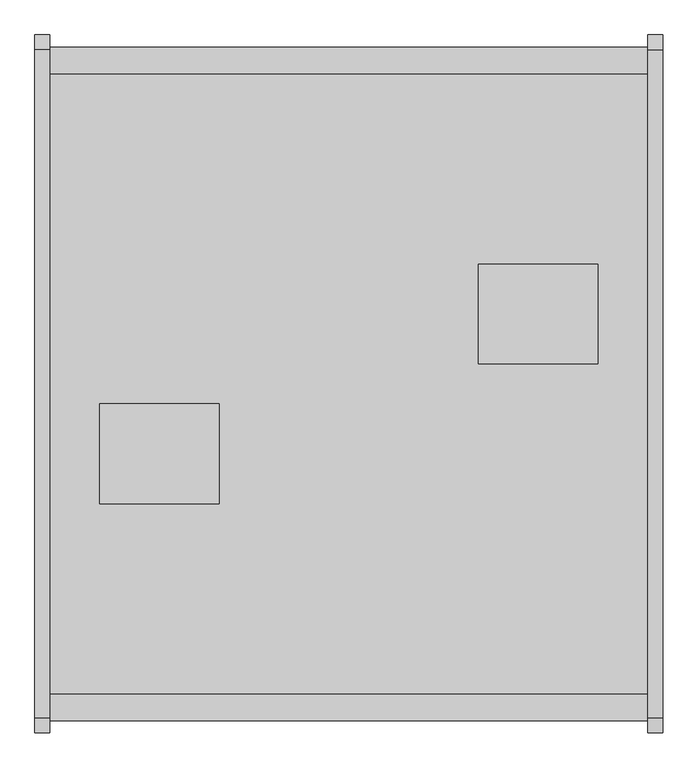
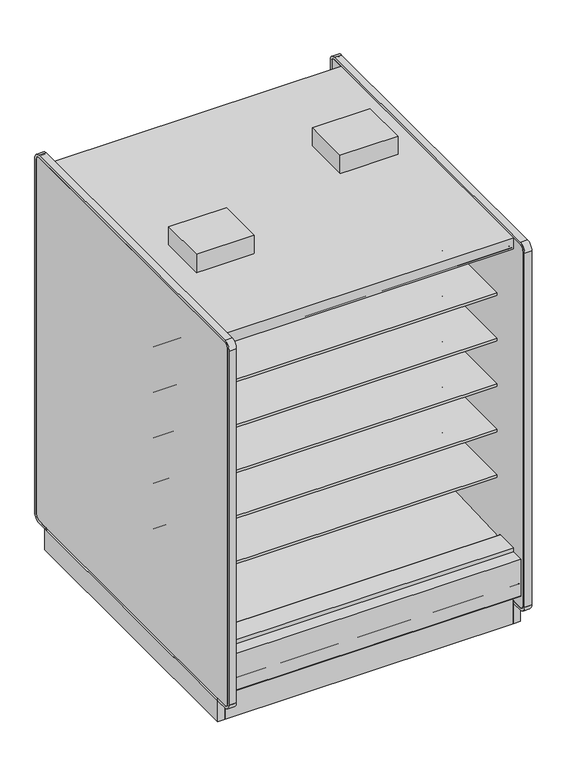
"""IFC4 building model written with IfcOpenShell, lengths in millimetres: proxy geometry."""

from ifc_helpers import new_model, si_unit, point, frame, frame_2d, origin, origin_with_axes, place, context, project, spatial, polyline, circle_curve, trimmed, segment, composite_curve, outline, extrude, faceted_brep, source, transform, mapped, element, save
from ifc_brep_helpers import plane_surface, revolved_surface, advanced_brep


def mechanical_equipment_8bff2197(model_context):
    return source(origin(), model_context, "Body", "SolidModel", [
        extrude(outline(polyline([(0.0, -76.1999999), (0.0, 0.0), (1524.0, 0.0), (1524.0, -76.1999999), (0.0, -76.1999999)])), frame((1524.0, -1111.3633008, 2065.3671599), z_axis=(0.0, 0.08686991344751496, 0.9962196635971514), x_axis=(-1.0, 0.0, 0.0)), (0.0, 0.0, 1.0), 13.3555803),
        extrude(outline(polyline([(0.0, -76.2), (0.0, 0.0), (1524.0, 0.0), (1524.0, -76.2), (0.0, -76.2)])), frame((1524.0, 288.8472236, 2059.4611282), z_axis=(0.0, -0.086869913447515, 0.9962196635971514), x_axis=(-1.0, 0.0, 0.0)), (0.0, 0.0, 1.0), 13.3555803),
        extrude(outline(polyline([(-38.1, -1158.0606273), (-38.1, 424.3593727), (0.0, 424.3593727), (0.0, -1158.0606273), (-38.1, -1158.0606273)])), origin_with_axes(), (0.0, 0.0, 1.0), 117.8306),
        extrude(outline(composite_curve([segment(polyline([(-292.5492106, 428.2688536), (291.885082, 406.4402197), (291.885082, 424.9364317)]), True, "CONTINUOUS"), segment(trimmed(circle_curve(frame_2d((293.942482, 424.9364317)), 2.0574), [point((291.885082, 424.9364317))], [point((293.942482, 426.9938317))], False, "CARTESIAN"), True, "CONTINUOUS"), segment(polyline([(293.942482, 426.9938317), (416.0514424, 426.9938317), (416.0514424, 284.5082843), (302.7767261, 189.4595117), (287.2311894, 190.0023738), (241.8789947, 157.1934642), (177.3766842, 159.4459345), (137.2934582, 192.9404113), (-344.0537782, 221.8688632), (-344.0537782, 428.2688536), (-292.5492106, 428.2688536)]), True, "CONTINUOUS")], self_intersect=False)), frame((0.0, 0.0, 0.0), z_axis=(1.0, 0.0, 0.0), x_axis=(0.0, 1.0, 0.0)), (0.0, 0.0, 1.0), 1524.0),
        extrude(outline(polyline([(392.5474807, -0.0519335), (392.5474807, 194.123201), (411.5974807, 210.1080489), (411.5974807, -0.0519335), (392.5474807, -0.0519335)])), frame((0.0, 0.0, 0.0), z_axis=(1.0, 0.0, 0.0), x_axis=(0.0, 1.0, 0.0)), (0.0, 0.0, 1.0), 1524.0),
        extrude(outline(polyline([(-1139.0106273, 0.0), (-1158.0606273, 0.0), (-1158.0606273, 210.1599825), (-1139.0106273, 194.1751345), (-1139.0106273, 0.0)])), frame((0.0, 0.0, 0.0), z_axis=(1.0, 0.0, 0.0), x_axis=(0.0, 1.0, 0.0)), (0.0, 0.0, 1.0), 1524.0),
        extrude(outline(polyline([(431.8, -424.0006273), (431.8, -678.0006273), (127.0, -678.0006273), (127.0, -424.0006273), (431.8, -424.0006273)])), frame((0.0, 0.0, 2159.2248848), z_axis=(0.0, 0.0, 1.0), x_axis=(1.0, 0.0, 0.0)), (0.0, 0.0, 1.0), 101.6),
        extrude(outline(polyline([(1092.2, -322.4006273), (1092.2, -68.4006273), (1397.0, -68.4006273), (1397.0, -322.4006273), (1092.2, -322.4006273)])), frame((0.0, 0.0, 2159.2248848), z_axis=(0.0, 0.0, 1.0), x_axis=(1.0, 0.0, 0.0)), (0.0, 0.0, 1.0), 101.6),
        extrude(outline(polyline([(1562.1, 424.3593727), (1562.1, -1158.0606273), (1524.0, -1158.0606273), (1524.0, 424.3593727), (1562.1, 424.3593727)])), origin_with_axes(), (0.0, 0.0, 1.0), 117.8306),
        extrude(outline(composite_curve([segment(polyline([(-292.5492106, 1659.986997), (-292.5492106, 1760.7972725), (266.2507894, 1760.7972725), (266.2507894, 1747.3035225), (145.7947875, 1747.3035225), (145.7947875, 1743.0191961), (-193.6128858, 1710.408706)]), True, "CONTINUOUS"), segment(trimmed(circle_curve(frame_2d((-186.7598764, 1647.2795822)), 63.5), [point((-193.6128858, 1710.408706))], [point((-226.8243495, 1696.545067))], True, "CARTESIAN"), True, "CONTINUOUS"), segment(polyline([(-226.8243495, 1696.545067), (-265.0460501, 1665.4617985)]), True, "CONTINUOUS"), segment(trimmed(circle_curve(frame_2d((-280.9533727, 1684.8267077)), 25.0607786), [point((-265.0460501, 1665.4617985))], [point((-281.4413184, 1659.7706798))], False, "CARTESIAN"), True, "CONTINUOUS"), segment(polyline([(-281.4413184, 1659.7706798), (-292.5492106, 1659.986997)]), True, "CONTINUOUS")], self_intersect=False)), frame((0.0, 0.0, 0.0), z_axis=(1.0, 0.0, 0.0), x_axis=(0.0, 1.0, 0.0)), (0.0, 0.0, 1.0), 1524.0),
        extrude(outline(composite_curve([segment(polyline([(-292.5492106, 643.986997), (-292.5492106, 744.7972725), (266.2507894, 744.7972725), (266.2507894, 731.3035225), (145.7947875, 731.3035225), (145.7947875, 727.0191961), (-193.6128858, 694.408706)]), True, "CONTINUOUS"), segment(trimmed(circle_curve(frame_2d((-186.7598764, 631.2795822)), 63.5), [point((-193.6128858, 694.408706))], [point((-226.8243495, 680.545067))], True, "CARTESIAN"), True, "CONTINUOUS"), segment(polyline([(-226.8243495, 680.545067), (-265.0460501, 649.4617985)]), True, "CONTINUOUS"), segment(trimmed(circle_curve(frame_2d((-280.9533727, 668.8267077)), 25.0607786), [point((-265.0460501, 649.4617985))], [point((-281.4413184, 643.7706798))], False, "CARTESIAN"), True, "CONTINUOUS"), segment(polyline([(-281.4413184, 643.7706798), (-292.5492106, 643.986997)]), True, "CONTINUOUS")], self_intersect=False)), frame((0.0, 0.0, 0.0), z_axis=(1.0, 0.0, 0.0), x_axis=(0.0, 1.0, 0.0)), (0.0, 0.0, 1.0), 1524.0),
        extrude(outline(composite_curve([segment(polyline([(-292.5492106, 897.986997), (-292.5492106, 998.7972725), (266.2507894, 998.7972725), (266.2507894, 985.3035225), (145.7947875, 985.3035225), (145.7947875, 981.0191961), (-193.6128858, 948.408706)]), True, "CONTINUOUS"), segment(trimmed(circle_curve(frame_2d((-186.7598764, 885.2795822)), 63.5), [point((-193.6128858, 948.408706))], [point((-226.8243495, 934.545067))], True, "CARTESIAN"), True, "CONTINUOUS"), segment(polyline([(-226.8243495, 934.545067), (-265.0460501, 903.4617985)]), True, "CONTINUOUS"), segment(trimmed(circle_curve(frame_2d((-280.9533727, 922.8267077)), 25.0607786), [point((-265.0460501, 903.4617985))], [point((-281.4413184, 897.7706798))], False, "CARTESIAN"), True, "CONTINUOUS"), segment(polyline([(-281.4413184, 897.7706798), (-292.5492106, 897.986997)]), True, "CONTINUOUS")], self_intersect=False)), frame((0.0, 0.0, 0.0), z_axis=(1.0, 0.0, 0.0), x_axis=(0.0, 1.0, 0.0)), (0.0, 0.0, 1.0), 1524.0),
        extrude(outline(composite_curve([segment(polyline([(-292.5492106, 1151.986997), (-292.5492106, 1252.7972725), (266.2507894, 1252.7972725), (266.2507894, 1239.3035225), (145.7947875, 1239.3035225), (145.7947875, 1235.0191961), (-193.6128858, 1202.408706)]), True, "CONTINUOUS"), segment(trimmed(circle_curve(frame_2d((-186.7598764, 1139.2795822)), 63.5), [point((-193.6128858, 1202.408706))], [point((-226.8243495, 1188.545067))], True, "CARTESIAN"), True, "CONTINUOUS"), segment(polyline([(-226.8243495, 1188.545067), (-265.0460501, 1157.4617985)]), True, "CONTINUOUS"), segment(trimmed(circle_curve(frame_2d((-280.9533727, 1176.8267077)), 25.0607786), [point((-265.0460501, 1157.4617985))], [point((-281.4413184, 1151.7706798))], False, "CARTESIAN"), True, "CONTINUOUS"), segment(polyline([(-281.4413184, 1151.7706798), (-292.5492106, 1151.986997)]), True, "CONTINUOUS")], self_intersect=False)), frame((0.0, 0.0, 0.0), z_axis=(1.0, 0.0, 0.0), x_axis=(0.0, 1.0, 0.0)), (0.0, 0.0, 1.0), 1524.0),
        extrude(outline(composite_curve([segment(polyline([(-292.5492106, 1405.986997), (-292.5492106, 1506.7972725), (266.2507894, 1506.7972725), (266.2507894, 1493.3035225), (145.7947875, 1493.3035225), (145.7947875, 1489.0191961), (-193.6128858, 1456.408706)]), True, "CONTINUOUS"), segment(trimmed(circle_curve(frame_2d((-186.7598764, 1393.2795822)), 63.5), [point((-193.6128858, 1456.408706))], [point((-226.8243495, 1442.545067))], True, "CARTESIAN"), True, "CONTINUOUS"), segment(polyline([(-226.8243495, 1442.545067), (-265.0460501, 1411.4617985)]), True, "CONTINUOUS"), segment(trimmed(circle_curve(frame_2d((-280.9533727, 1430.8267077)), 25.0607786), [point((-265.0460501, 1411.4617985))], [point((-281.4413184, 1405.7706798))], False, "CARTESIAN"), True, "CONTINUOUS"), segment(polyline([(-281.4413184, 1405.7706798), (-292.5492106, 1405.986997)]), True, "CONTINUOUS")], self_intersect=False)), frame((0.0, 0.0, 0.0), z_axis=(1.0, 0.0, 0.0), x_axis=(0.0, 1.0, 0.0)), (0.0, 0.0, 1.0), 1524.0),
        extrude(outline(composite_curve([segment(polyline([(-94.7483469, 2070.6501297), (-292.5492106, 2070.6501297), (-292.5492106, 428.2688536), (-344.0537782, 428.2688536), (-344.0537782, 2096.4201079), (398.3751091, 2096.4201079), (398.3751091, 2092.4645258)]), True, "CONTINUOUS"), segment(trimmed(circle_curve(frame_2d((395.8351091, 2092.4645258)), 2.54), [point((398.3751091, 2092.4645258))], [point((395.8351091, 2089.9245258))], False, "CARTESIAN"), True, "CONTINUOUS"), segment(polyline([(395.8351091, 2089.9245258), (381.1085354, 2089.9245258)]), True, "CONTINUOUS"), segment(trimmed(circle_curve(frame_2d((381.1085354, 2087.3845258)), 2.54), [point((381.1085354, 2089.9245258))], [point((378.5685354, 2087.3845258))], True, "CARTESIAN"), True, "CONTINUOUS"), segment(polyline([(378.5685354, 2087.3845258), (378.5685354, 2074.4415989)]), True, "CONTINUOUS"), segment(trimmed(circle_curve(frame_2d((376.0285354, 2074.4415989)), 2.54), [point((378.5685354, 2074.4415989))], [point((376.0285354, 2071.9015989))], False, "CARTESIAN"), True, "CONTINUOUS"), segment(polyline([(376.0285354, 2071.9015989), (367.3424655, 2071.9015989)]), True, "CONTINUOUS"), segment(trimmed(circle_curve(frame_2d((367.3424655, 2074.4415989)), 2.54), [point((367.3424655, 2071.9015989))], [point((364.8024655, 2074.4415989))], False, "CARTESIAN"), True, "CONTINUOUS"), segment(polyline([(364.8024655, 2074.4415989), (364.8024655, 2080.1715419), (286.911575, 2073.3794907), (286.9575805, 2070.6501297), (-94.7483469, 2070.6501297)]), True, "CONTINUOUS")], self_intersect=False)), frame((0.0, 0.0, 0.0), z_axis=(1.0, 0.0, 0.0), x_axis=(0.0, 1.0, 0.0)), (0.0, 0.0, 1.0), 1524.0),
        extrude(outline(composite_curve([segment(polyline([(-453.852044, 1659.1586039), (-464.9599362, 1658.9422868)]), True, "CONTINUOUS"), segment(trimmed(circle_curve(frame_2d((-465.4478819, 1683.9983146)), 25.0607786), [point((-464.9599362, 1658.9422868))], [point((-481.3552045, 1664.6334054))], False, "CARTESIAN"), True, "CONTINUOUS"), segment(polyline([(-481.3552045, 1664.6334054), (-519.5769051, 1695.716674)]), True, "CONTINUOUS"), segment(trimmed(circle_curve(frame_2d((-559.6413782, 1646.4511892)), 63.5), [point((-519.5769051, 1695.716674))], [point((-552.7883688, 1709.5803129))], True, "CARTESIAN"), True, "CONTINUOUS"), segment(polyline([(-552.7883688, 1709.5803129), (-892.1960421, 1742.190803), (-892.1960421, 1746.4751294), (-1012.652044, 1746.4751294), (-1012.652044, 1759.9688794), (-453.852044, 1759.9688794), (-453.852044, 1659.1586039)]), True, "CONTINUOUS")], self_intersect=False)), frame((0.0, 0.0, 0.0), z_axis=(1.0, 0.0, 0.0), x_axis=(0.0, 1.0, 0.0)), (0.0, 0.0, 1.0), 1524.0),
        extrude(outline(composite_curve([segment(polyline([(-453.852044, 643.1586039), (-464.9599362, 642.9422868)]), True, "CONTINUOUS"), segment(trimmed(circle_curve(frame_2d((-465.4478819, 667.9983146)), 25.0607786), [point((-464.9599362, 642.9422868))], [point((-481.3552045, 648.6334054))], False, "CARTESIAN"), True, "CONTINUOUS"), segment(polyline([(-481.3552045, 648.6334054), (-519.5769051, 679.716674)]), True, "CONTINUOUS"), segment(trimmed(circle_curve(frame_2d((-559.6413782, 630.4511892)), 63.5), [point((-519.5769051, 679.716674))], [point((-552.7883688, 693.5803129))], True, "CARTESIAN"), True, "CONTINUOUS"), segment(polyline([(-552.7883688, 693.5803129), (-892.1960421, 726.190803), (-892.1960421, 730.4751294), (-1012.652044, 730.4751294), (-1012.652044, 743.9688794), (-453.852044, 743.9688794), (-453.852044, 643.1586039)]), True, "CONTINUOUS")], self_intersect=False)), frame((0.0, 0.0, 0.0), z_axis=(1.0, 0.0, 0.0), x_axis=(0.0, 1.0, 0.0)), (0.0, 0.0, 1.0), 1524.0),
        extrude(outline(composite_curve([segment(polyline([(-453.852044, 897.1586039), (-464.9599362, 896.9422868)]), True, "CONTINUOUS"), segment(trimmed(circle_curve(frame_2d((-465.4478819, 921.9983146)), 25.0607786), [point((-464.9599362, 896.9422868))], [point((-481.3552045, 902.6334054))], False, "CARTESIAN"), True, "CONTINUOUS"), segment(polyline([(-481.3552045, 902.6334054), (-519.5769051, 933.716674)]), True, "CONTINUOUS"), segment(trimmed(circle_curve(frame_2d((-559.6413782, 884.4511892)), 63.5), [point((-519.5769051, 933.716674))], [point((-552.7883688, 947.5803129))], True, "CARTESIAN"), True, "CONTINUOUS"), segment(polyline([(-552.7883688, 947.5803129), (-892.1960421, 980.190803), (-892.1960421, 984.4751294), (-1012.652044, 984.4751294), (-1012.652044, 997.9688794), (-453.852044, 997.9688794), (-453.852044, 897.1586039)]), True, "CONTINUOUS")], self_intersect=False)), frame((0.0, 0.0, 0.0), z_axis=(1.0, 0.0, 0.0), x_axis=(0.0, 1.0, 0.0)), (0.0, 0.0, 1.0), 1524.0),
        extrude(outline(composite_curve([segment(polyline([(-453.852044, 1151.1586039), (-464.9599362, 1150.9422868)]), True, "CONTINUOUS"), segment(trimmed(circle_curve(frame_2d((-465.4478819, 1175.9983146)), 25.0607786), [point((-464.9599362, 1150.9422868))], [point((-481.3552045, 1156.6334054))], False, "CARTESIAN"), True, "CONTINUOUS"), segment(polyline([(-481.3552045, 1156.6334054), (-519.5769051, 1187.716674)]), True, "CONTINUOUS"), segment(trimmed(circle_curve(frame_2d((-559.6413782, 1138.4511892)), 63.5), [point((-519.5769051, 1187.716674))], [point((-552.7883688, 1201.5803129))], True, "CARTESIAN"), True, "CONTINUOUS"), segment(polyline([(-552.7883688, 1201.5803129), (-892.1960421, 1234.190803), (-892.1960421, 1238.4751294), (-1012.652044, 1238.4751294), (-1012.652044, 1251.9688794), (-453.852044, 1251.9688794), (-453.852044, 1151.1586039)]), True, "CONTINUOUS")], self_intersect=False)), frame((0.0, 0.0, 0.0), z_axis=(1.0, 0.0, 0.0), x_axis=(0.0, 1.0, 0.0)), (0.0, 0.0, 1.0), 1524.0),
        extrude(outline(composite_curve([segment(polyline([(-453.852044, 1405.1586039), (-464.9599362, 1404.9422868)]), True, "CONTINUOUS"), segment(trimmed(circle_curve(frame_2d((-465.4478819, 1429.9983146)), 25.0607786), [point((-464.9599362, 1404.9422868))], [point((-481.3552045, 1410.6334054))], False, "CARTESIAN"), True, "CONTINUOUS"), segment(polyline([(-481.3552045, 1410.6334054), (-519.5769051, 1441.716674)]), True, "CONTINUOUS"), segment(trimmed(circle_curve(frame_2d((-559.6413782, 1392.4511892)), 63.5), [point((-519.5769051, 1441.716674))], [point((-552.7883688, 1455.5803129))], True, "CARTESIAN"), True, "CONTINUOUS"), segment(polyline([(-552.7883688, 1455.5803129), (-892.1960421, 1488.190803), (-892.1960421, 1492.4751294), (-1012.652044, 1492.4751294), (-1012.652044, 1505.9688794), (-453.852044, 1505.9688794), (-453.852044, 1405.1586039)]), True, "CONTINUOUS")], self_intersect=False)), frame((0.0, 0.0, 0.0), z_axis=(1.0, 0.0, 0.0), x_axis=(0.0, 1.0, 0.0)), (0.0, 0.0, 1.0), 1524.0),
        extrude(outline(composite_curve([segment(trimmed(circle_curve(frame_2d((-1224.1006273, 201.3982889)), 6.35), [point((-1220.9264382, 195.8985595))], [point((-1230.4506273, 201.3982889))], False, "CARTESIAN"), True, "CONTINUOUS"), segment(polyline([(-1230.4506273, 201.3982889), (-1230.4506273, 404.6728), (-1162.452697, 404.6728), (-1162.452697, 391.9982), (-1213.6612273, 391.9982), (-1213.6612273, 256.8144254), (-1173.6099725, 223.2074323), (-1220.9264382, 195.8985595)]), True, "CONTINUOUS")], self_intersect=False)), frame((0.0, 0.0, 0.0), z_axis=(1.0, 0.0, 0.0), x_axis=(0.0, 1.0, 0.0)), (0.0, 0.0, 1.0), 1524.0),
        extrude(outline(composite_curve([segment(polyline([(474.5251836, 195.8985595), (427.2087179, 223.2074323), (467.2599727, 256.8144254), (467.2599727, 391.9982), (416.0514424, 391.9982), (416.0514424, 404.6728), (484.0493727, 404.6728), (484.0493727, 201.3982889)]), True, "CONTINUOUS"), segment(trimmed(circle_curve(frame_2d((477.6993727, 201.3982889)), 6.35), [point((484.0493727, 201.3982889))], [point((474.5251836, 195.8985595))], False, "CARTESIAN"), True, "CONTINUOUS")], self_intersect=False)), frame((0.0, 0.0, 0.0), z_axis=(1.0, 0.0, 0.0), x_axis=(0.0, 1.0, 0.0)), (0.0, 0.0, 1.0), 1524.0),
        extrude(outline(polyline([(-1063.1620247, 130.5306), (-1213.6612273, 256.8144254), (-1213.6612273, 391.9982), (-1162.452697, 391.9982), (-1162.452697, 284.5082843), (-1049.1779807, 189.4595117), (-1033.632444, 190.0023738), (-988.2802493, 157.1934642), (-923.7779388, 159.4459345), (-883.6947128, 192.9404113), (-402.3474764, 221.8688632), (-402.3474764, 2096.4201079), (-1162.452697, 2096.4201079), (-1162.452697, 2159.0), (416.0514424, 2159.0), (416.0514424, 2096.4201079), (-344.0537782, 2096.4201079), (-344.0537782, 221.8688632), (137.2934582, 192.9404113), (177.3766842, 159.4459345), (241.8789947, 157.1934642), (287.2311894, 190.0023738), (302.7767261, 189.4595117), (416.0514424, 284.5082843), (416.0514424, 391.9982), (467.2599727, 391.9982), (467.2599727, 256.8144254), (316.7607701, 130.5306), (-1063.1620247, 130.5306)])), frame((0.0, 0.0, 0.0), z_axis=(1.0, 0.0, 0.0), x_axis=(0.0, 1.0, 0.0)), (0.0, 0.0, 1.0), 1524.0),
        extrude(outline(composite_curve([segment(polyline([(-639.2465773, 2071.0201079), (-1033.3525988, 2071.0201079), (-1033.3128296, 2073.3794907), (-1111.2037201, 2080.1715419), (-1111.2037201, 2074.4415989)]), True, "CONTINUOUS"), segment(trimmed(circle_curve(frame_2d((-1113.7437201, 2074.4415989)), 2.54), [point((-1111.2037201, 2074.4415989))], [point((-1113.7437201, 2071.9015989))], False, "CARTESIAN"), True, "CONTINUOUS"), segment(polyline([(-1113.7437201, 2071.9015989), (-1122.42979, 2071.9015989)]), True, "CONTINUOUS"), segment(trimmed(circle_curve(frame_2d((-1122.42979, 2074.4415989)), 2.54), [point((-1122.42979, 2071.9015989))], [point((-1124.96979, 2074.4415989))], False, "CARTESIAN"), True, "CONTINUOUS"), segment(polyline([(-1124.96979, 2074.4415989), (-1124.96979, 2087.3845258)]), True, "CONTINUOUS"), segment(trimmed(circle_curve(frame_2d((-1127.50979, 2087.3845258)), 2.54), [point((-1124.96979, 2087.3845258))], [point((-1127.50979, 2089.9245258))], True, "CARTESIAN"), True, "CONTINUOUS"), segment(polyline([(-1127.50979, 2089.9245258), (-1142.2363637, 2089.9245258)]), True, "CONTINUOUS"), segment(trimmed(circle_curve(frame_2d((-1142.2363637, 2092.4645258)), 2.54), [point((-1142.2363637, 2089.9245258))], [point((-1144.7763637, 2092.4645258))], False, "CARTESIAN"), True, "CONTINUOUS"), segment(polyline([(-1144.7763637, 2092.4645258), (-1144.7763637, 2096.4201079), (-402.3474764, 2096.4201079), (-402.3474764, 428.2688536), (-453.852044, 428.2688536), (-453.852044, 2071.0201079), (-639.2465773, 2071.0201079)]), True, "CONTINUOUS")], self_intersect=False)), frame((0.0, 0.0, 0.0), z_axis=(1.0, 0.0, 0.0), x_axis=(0.0, 1.0, 0.0)), (0.0, 0.0, 1.0), 1524.0),
        extrude(outline(polyline([(0.0, 424.3593727), (0.0, -1139.0106273), (-38.1, -1139.0106273), (-38.1, 424.3593727), (0.0, 424.3593727)])), origin_with_axes(), (0.0, 0.0, 1.0), 117.8306),
        advanced_brep(
        [(1524.0, -995.5006273, 0.0), (1524.0, -918.6839153, 0.0), (1524.0, -918.6839153, 74.8810382), (1524.0, 173.3438727, 74.8810382), (1524.0, 173.3438727, 0.0), (1524.0, 220.8672286, 0.0), (1524.0, 220.8672286, 130.5306), (1524.0, -995.5006273, 130.5306), (0.0, -995.5006273, 0.0), (0.0, -995.5006273, 130.5306), (0.0, 220.8672286, 130.5306), (0.0, 220.8672286, 0.0), (0.0, 173.3438727, 0.0), (0.0, 173.3438727, 74.8810382), (0.0, -918.6839153, 74.8810382), (0.0, -918.6839153, 0.0), (714.3826367, -918.6839153, 0.0), (711.2, -936.3821273, 0.0), (812.8, -936.3821273, 0.0), (809.6173633, -918.6839153, 0.0), (1257.0239057, -918.6839153, 0.0), (1252.5375, -939.5571273, 0.0), (1354.1375, -939.5571273, 0.0), (1349.6510943, -918.6839153, 0.0), (1349.6510943, -918.6839153, 74.8810382), (714.3826367, -918.6839153, 74.8810382), (809.6173633, -918.6839153, 74.8810382), (1257.0239057, -918.6839153, 74.8810382), (173.8851053, 173.3438727, 74.8810382), (267.4398947, 173.3438727, 74.8810382), (714.0015601, 173.3438727, 74.8810382), (809.9984399, 173.3438727, 74.8810382), (711.2, -936.3821273, 127.0), (812.8, -936.3821273, 127.0), (1252.5375, -939.5571273, 127.0), (1354.1375, -939.5571273, 127.0), (809.9984399, 173.3438727, 0.0), (173.8851053, 173.3438727, 0.0), (267.4398947, 173.3438727, 0.0), (714.0015601, 173.3438727, 0.0), (812.8, 189.9808727, 0.0), (802.3320346, 220.8672286, 0.0), (178.0864416, 220.8672286, 0.0), (169.8625, 193.1558727, 0.0), (271.4625, 193.1558727, 0.0), (263.2385584, 220.8672286, 0.0), (721.6679654, 220.8672286, 0.0), (711.2, 189.9808727, 0.0), (802.3320346, 220.8672286, 127.0), (721.6679654, 220.8672286, 127.0), (263.2385584, 220.8672286, 127.0), (178.0864416, 220.8672286, 127.0), (271.4625, 193.1558727, 127.0), (169.8625, 193.1558727, 127.0), (812.8, 189.9808727, 127.0), (711.2, 189.9808727, 127.0)],
        [
            (0, 1),
            (1, 2),
            (2, 3),
            (3, 4),
            (4, 5),
            (5, 6),
            (6, 7),
            (7, 0),
            (8, 9),
            (9, 10),
            (10, 11),
            (11, 12),
            (12, 13),
            (13, 14),
            (14, 15),
            (15, 8),
            (6, 10),
            (9, 7),
            (8, 0),
            (15, 16),
            (16, 17, circle_curve(frame((762.0, -936.3821273, 0.0), z_axis=(0.0, 0.0, 1.0), x_axis=(1.0, 0.0, 0.0)), 50.8)),
            (17, 18, circle_curve(frame((762.0, -936.3821273, 0.0), z_axis=(0.0, 0.0, 1.0), x_axis=(1.0, 0.0, 0.0)), 50.8)),
            (18, 19, circle_curve(frame((762.0, -936.3821273, 0.0), z_axis=(0.0, 0.0, 1.0), x_axis=(1.0, 0.0, 0.0)), 50.8)),
            (19, 20),
            (20, 21, circle_curve(frame((1303.3375, -939.5571273, 0.0), z_axis=(0.0, 0.0, 1.0), x_axis=(1.0, 0.0, 0.0)), 50.8)),
            (21, 22, circle_curve(frame((1303.3375, -939.5571273, 0.0), z_axis=(0.0, 0.0, 1.0), x_axis=(1.0, 0.0, 0.0)), 50.8)),
            (22, 23, circle_curve(frame((1303.3375, -939.5571273, 0.0), z_axis=(0.0, 0.0, 1.0), x_axis=(1.0, 0.0, 0.0)), 50.8)),
            (23, 1),
            (23, 24),
            (24, 2),
            (14, 25),
            (25, 16),
            (19, 26),
            (26, 27),
            (27, 20),
            (24, 27, circle_curve(frame((1303.3375, -939.5571273, 74.8810382), z_axis=(0.0, 0.0, 1.0), x_axis=(1.0, 0.0, 0.0)), 50.8)),
            (26, 25, circle_curve(frame((762.0, -936.3821273, 74.8810382), z_axis=(0.0, 0.0, 1.0), x_axis=(1.0, 0.0, 0.0)), 50.8)),
            (13, 28),
            (28, 29, circle_curve(frame((220.6625, 193.1558727, 74.8810382), z_axis=(0.0, 0.0, 1.0), x_axis=(-1.0, 0.0, 0.0)), 50.8)),
            (29, 30),
            (30, 31, circle_curve(frame((762.0, 189.9808727, 74.8810382), z_axis=(0.0, 0.0, 1.0), x_axis=(1.0, 0.0, 0.0)), 50.8)),
            (31, 3),
            (32, 33, circle_curve(frame((762.0, -936.3821273, 127.0), z_axis=(0.0, 0.0, -1.0), x_axis=(1.0, 0.0, 0.0)), 50.8)),
            (33, 32, circle_curve(frame((762.0, -936.3821273, 127.0), z_axis=(0.0, 0.0, -1.0), x_axis=(1.0, 0.0, 0.0)), 50.8)),
            (33, 18),
            (17, 32),
            (34, 35, circle_curve(frame((1303.3375, -939.5571273, 127.0), z_axis=(0.0, 0.0, -1.0), x_axis=(1.0, 0.0, 0.0)), 50.8)),
            (35, 34, circle_curve(frame((1303.3375, -939.5571273, 127.0), z_axis=(0.0, 0.0, -1.0), x_axis=(1.0, 0.0, 0.0)), 50.8)),
            (35, 22),
            (21, 34),
            (31, 36),
            (36, 4),
            (12, 37),
            (37, 28),
            (29, 38),
            (38, 39),
            (39, 30),
            (36, 40, circle_curve(frame((762.0, 189.9808727, 0.0), z_axis=(0.0, 0.0, 1.0), x_axis=(1.0, 0.0, 0.0)), 50.8)),
            (40, 41, circle_curve(frame((762.0, 189.9808727, 0.0), z_axis=(0.0, 0.0, 1.0), x_axis=(1.0, 0.0, 0.0)), 50.8)),
            (41, 5),
            (11, 42),
            (42, 43, circle_curve(frame((220.6625, 193.1558727, 0.0), z_axis=(0.0, 0.0, 1.0), x_axis=(-1.0, 0.0, 0.0)), 50.8)),
            (43, 37, circle_curve(frame((220.6625, 193.1558727, 0.0), z_axis=(0.0, 0.0, 1.0), x_axis=(-1.0, 0.0, 0.0)), 50.8)),
            (44, 45, circle_curve(frame((220.6625, 193.1558727, 0.0), z_axis=(0.0, 0.0, 1.0), x_axis=(-1.0, 0.0, 0.0)), 50.8)),
            (45, 46),
            (46, 47, circle_curve(frame((762.0, 189.9808727, 0.0), z_axis=(0.0, 0.0, 1.0), x_axis=(1.0, 0.0, 0.0)), 50.8)),
            (47, 39, circle_curve(frame((762.0, 189.9808727, 0.0), z_axis=(0.0, 0.0, 1.0), x_axis=(1.0, 0.0, 0.0)), 50.8)),
            (38, 44, circle_curve(frame((220.6625, 193.1558727, 0.0), z_axis=(0.0, 0.0, 1.0), x_axis=(-1.0, 0.0, 0.0)), 50.8)),
            (41, 48),
            (48, 49),
            (49, 46),
            (45, 50),
            (50, 51),
            (51, 42),
            (52, 53, circle_curve(frame((220.6625, 193.1558727, 127.0), z_axis=(0.0, 0.0, -1.0), x_axis=(-1.0, 0.0, 0.0)), 50.8)),
            (53, 51, circle_curve(frame((220.6625, 193.1558727, 127.0), z_axis=(0.0, 0.0, -1.0), x_axis=(-1.0, 0.0, 0.0)), 50.8)),
            (50, 52, circle_curve(frame((220.6625, 193.1558727, 127.0), z_axis=(0.0, 0.0, -1.0), x_axis=(-1.0, 0.0, 0.0)), 50.8)),
            (44, 52),
            (53, 43),
            (54, 55, circle_curve(frame((762.0, 189.9808727, 127.0), z_axis=(0.0, 0.0, -1.0), x_axis=(1.0, 0.0, 0.0)), 50.8)),
            (55, 49, circle_curve(frame((762.0, 189.9808727, 127.0), z_axis=(0.0, 0.0, -1.0), x_axis=(1.0, 0.0, 0.0)), 50.8)),
            (48, 54, circle_curve(frame((762.0, 189.9808727, 127.0), z_axis=(0.0, 0.0, -1.0), x_axis=(1.0, 0.0, 0.0)), 50.8)),
            (40, 54),
            (55, 47),
        ],
        [
            plane_surface(frame((1524.0, -921.3326273, 0.0), z_axis=(1.0, 0.0, 0.0), x_axis=(0.0, 1.0, 0.0))),
            plane_surface(frame((0.0, -921.3326273, 0.0), z_axis=(-1.0, 0.0, 0.0), x_axis=(0.0, -1.0, 0.0))),
            plane_surface(frame((1524.0, 220.8672286, 130.5306), z_axis=(0.0, 0.0, 1.0), x_axis=(-1.0, 0.0, 0.0))),
            plane_surface(frame((1524.0, -995.5006273, 130.5306), z_axis=(0.0, -1.0, 0.0), x_axis=(-1.0, 0.0, 0.0))),
            plane_surface(frame((1524.0, -995.5006273, 0.0), z_axis=(0.0, 0.0, -1.0), x_axis=(-1.0, 0.0, 0.0))),
            plane_surface(frame((1524.0, -918.6839153, 0.0), z_axis=(0.0, 1.0, 0.0), x_axis=(-1.0, 0.0, 0.0))),
            plane_surface(frame((1524.0, -918.6839153, 74.8810382), z_axis=(0.0, 0.0, -1.0), x_axis=(-1.0, 0.0, 0.0))),
            plane_surface(frame((812.8, -936.3821273, 127.0), z_axis=(0.0, 0.0, -1.0), x_axis=(0.0, 1.0, 0.0))),
            revolved_surface(polyline([(812.8, -936.3821273, 127.0), (812.8, -936.3821273, 0.0)]), (762.0, -936.3821273, 0.0), (0.0, 0.0, 1.0)),
            plane_surface(frame((1354.1375, -939.5571273, 127.0), z_axis=(0.0, 0.0, -1.0), x_axis=(0.0, 1.0, 0.0))),
            revolved_surface(polyline([(1354.1375, -939.5571273, 127.0), (1354.1375, -939.5571273, 0.0)]), (1303.3375, -939.5571273, 0.0), (0.0, 0.0, 1.0)),
            plane_surface(frame((1524.0, 173.3438727, 74.8810382), z_axis=(0.0, -1.0, 0.0), x_axis=(-1.0, 0.0, 0.0))),
            plane_surface(frame((1524.0, 173.3438727, 0.0), z_axis=(0.0, 0.0, -1.0), x_axis=(-1.0, 0.0, 0.0))),
            plane_surface(frame((1524.0, 220.8672286, 0.0), z_axis=(0.0, 1.0, 0.0), x_axis=(-1.0, 0.0, 0.0))),
            plane_surface(frame((169.8625, 193.1558727, 127.0), z_axis=(0.0, 0.0, -1.0), x_axis=(0.0, -1.0, 0.0))),
            revolved_surface(polyline([(169.8625, 193.1558727, 127.0), (169.8625, 193.1558727, 0.0)]), (220.6625, 193.1558727, 0.0), (0.0, 0.0, 1.0)),
            plane_surface(frame((812.8, 189.9808727, 127.0), z_axis=(0.0, 0.0, -1.0), x_axis=(0.0, 1.0, 0.0))),
            revolved_surface(polyline([(812.8, 189.9808727, 127.0), (812.8, 189.9808727, 0.0)]), (762.0, 189.9808727, 0.0), (0.0, 0.0, 1.0)),
        ],
        [
            (0, [[1, 2, 3, 4, 5, 6, 7, 8]]),
            (1, [[9, 10, 11, 12, 13, 14, 15, 16]]),
            (2, [[-7, 17, -10, 18]]),
            (3, [[-8, -18, -9, 19]]),
            (4, [[-1, -19, -16, 20, 21, 22, 23, 24, 25, 26, 27, 28]]),
            (5, [[-2, -28, 29, 30]]),
            (5, [[-15, 31, 32, -20]]),
            (5, [[33, 34, 35, -24]]),
            (6, [[-3, -30, 36, -34, 37, -31, -14, 38, 39, 40, 41, 42]]),
            (7, [[43, 44]]),
            (8, [[-44, 45, -22, 46]]),
            (8, [[-43, -46, -21, -32, -37, -33, -23, -45]]),
            (9, [[47, 48]]),
            (10, [[-48, 49, -26, 50]]),
            (10, [[-47, -50, -25, -35, -36, -29, -27, -49]]),
            (11, [[-4, -42, 51, 52]]),
            (11, [[-13, 53, 54, -38]]),
            (11, [[55, 56, 57, -40]]),
            (12, [[-5, -52, 58, 59, 60]]),
            (12, [[-12, 61, 62, 63, -53]]),
            (12, [[64, 65, 66, 67, -56, 68]]),
            (13, [[-6, -60, 69, 70, 71, -65, 72, 73, 74, -61, -11, -17]]),
            (14, [[75, 76, -73, 77]]),
            (15, [[78, -77, -72, -64]]),
            (15, [[79, -62, -74, -76]]),
            (15, [[-75, -78, -68, -55, -39, -54, -63, -79]]),
            (16, [[80, 81, -70, 82]]),
            (17, [[83, -82, -69, -59]]),
            (17, [[84, -66, -71, -81]]),
            (17, [[-80, -83, -58, -51, -41, -57, -67, -84]]),
        ],
    ),
        extrude(outline(composite_curve([segment(polyline([(-453.852044, 428.2688536), (-402.3474764, 428.2688536), (-402.3474764, 221.8688632), (-883.6947128, 192.9404113), (-923.7779388, 159.4459345), (-988.2802493, 157.1934642), (-1033.632444, 190.0023738), (-1049.1779807, 189.4595117), (-1162.452697, 284.5082843), (-1162.452697, 426.9938317), (-1040.3437366, 426.9938317)]), True, "CONTINUOUS"), segment(trimmed(circle_curve(frame_2d((-1040.3437366, 424.9364317)), 2.0574), [point((-1040.3437366, 426.9938317))], [point((-1038.2863366, 424.9364317))], False, "CARTESIAN"), True, "CONTINUOUS"), segment(polyline([(-1038.2863366, 424.9364317), (-1038.2863366, 406.4402197), (-453.852044, 428.2688536)]), True, "CONTINUOUS")], self_intersect=False)), frame((0.0, 0.0, 0.0), z_axis=(1.0, 0.0, 0.0), x_axis=(0.0, 1.0, 0.0)), (0.0, 0.0, 1.0), 1524.0),
        extrude(outline(composite_curve([segment(polyline([(-1170.7606273, 117.8306), (-1224.093772, 117.8306)]), True, "CONTINUOUS"), segment(trimmed(circle_curve(frame_2d((-1224.093772, 155.9306)), 38.1), [point((-1224.093772, 117.8306))], [point((-1262.193772, 155.9306))], False, "CARTESIAN"), True, "CONTINUOUS"), segment(polyline([(-1262.193772, 155.9306), (-1262.193772, 2133.6)]), True, "CONTINUOUS"), segment(trimmed(circle_curve(frame_2d((-1224.093772, 2133.6)), 38.1), [point((-1262.193772, 2133.6))], [point((-1224.093772, 2171.7))], False, "CARTESIAN"), True, "CONTINUOUS"), segment(polyline([(-1224.093772, 2171.7), (477.6925174, 2171.7)]), True, "CONTINUOUS"), segment(trimmed(circle_curve(frame_2d((477.6925174, 2133.6)), 38.1), [point((477.6925174, 2171.7))], [point((515.7925174, 2133.6))], False, "CARTESIAN"), True, "CONTINUOUS"), segment(polyline([(515.7925174, 2133.6), (515.7925174, 155.9306)]), True, "CONTINUOUS"), segment(trimmed(circle_curve(frame_2d((477.6925174, 155.9306)), 38.1), [point((515.7925174, 155.9306))], [point((477.6925174, 117.8306))], False, "CARTESIAN"), True, "CONTINUOUS"), segment(polyline([(477.6925174, 117.8306), (424.3593727, 117.8306), (411.5974807, 117.8306), (411.5974807, 130.5306), (424.3593727, 130.5306), (477.6925174, 130.5306)]), True, "CONTINUOUS"), segment(trimmed(circle_curve(frame_2d((477.6925174, 155.9306)), 25.4), [point((477.6925174, 130.5306))], [point((503.0925174, 155.9306))], True, "CARTESIAN"), True, "CONTINUOUS"), segment(polyline([(503.0925174, 155.9306), (503.0925174, 2133.6)]), True, "CONTINUOUS"), segment(trimmed(circle_curve(frame_2d((477.6925174, 2133.6)), 25.4), [point((503.0925174, 2133.6))], [point((477.6925174, 2159.0))], True, "CARTESIAN"), True, "CONTINUOUS"), segment(polyline([(477.6925174, 2159.0), (-1224.093772, 2159.0)]), True, "CONTINUOUS"), segment(trimmed(circle_curve(frame_2d((-1224.093772, 2133.6)), 25.4), [point((-1224.093772, 2159.0))], [point((-1249.493772, 2133.6))], True, "CARTESIAN"), True, "CONTINUOUS"), segment(polyline([(-1249.493772, 2133.6), (-1249.493772, 155.9306)]), True, "CONTINUOUS"), segment(trimmed(circle_curve(frame_2d((-1224.093772, 155.9306)), 25.4), [point((-1249.493772, 155.9306))], [point((-1224.093772, 130.5306))], True, "CARTESIAN"), True, "CONTINUOUS"), segment(polyline([(-1224.093772, 130.5306), (-1170.7606273, 130.5306), (-1158.0606273, 130.5306), (-1158.0606273, 117.8306), (-1170.7606273, 117.8306)]), True, "CONTINUOUS")], self_intersect=False)), frame((1524.0, 0.0, 0.0), z_axis=(1.0, 0.0, 0.0), x_axis=(0.0, 1.0, 0.0)), (0.0, 0.0, 1.0), 38.1),
        extrude(outline(composite_curve([segment(polyline([(477.6925174, 130.5306), (-1224.093772, 130.5306)]), True, "CONTINUOUS"), segment(trimmed(circle_curve(frame_2d((-1224.093772, 155.9306)), 25.4), [point((-1224.093772, 130.5306))], [point((-1249.493772, 155.9306))], False, "CARTESIAN"), True, "CONTINUOUS"), segment(polyline([(-1249.493772, 155.9306), (-1249.493772, 2133.6)]), True, "CONTINUOUS"), segment(trimmed(circle_curve(frame_2d((-1224.093772, 2133.6)), 25.4), [point((-1249.493772, 2133.6))], [point((-1224.093772, 2159.0))], False, "CARTESIAN"), True, "CONTINUOUS"), segment(polyline([(-1224.093772, 2159.0), (477.6925174, 2159.0)]), True, "CONTINUOUS"), segment(trimmed(circle_curve(frame_2d((477.6925174, 2133.6)), 25.4), [point((477.6925174, 2159.0))], [point((503.0925174, 2133.6))], False, "CARTESIAN"), True, "CONTINUOUS"), segment(polyline([(503.0925174, 2133.6), (503.0925174, 155.9306)]), True, "CONTINUOUS"), segment(trimmed(circle_curve(frame_2d((477.6925174, 155.9306)), 25.4), [point((503.0925174, 155.9306))], [point((477.6925174, 130.5306))], False, "CARTESIAN"), True, "CONTINUOUS")], self_intersect=False)), frame((1524.0, 0.0, 0.0), z_axis=(1.0, 0.0, 0.0), x_axis=(0.0, 1.0, 0.0)), (0.0, 0.0, 1.0), 38.1),
        extrude(outline(composite_curve([segment(polyline([(-1224.093772, 2171.7), (477.6925174, 2171.7)]), True, "CONTINUOUS"), segment(trimmed(circle_curve(frame_2d((477.6925174, 2133.6)), 38.1), [point((477.6925174, 2171.7))], [point((515.7925174, 2133.6))], False, "CARTESIAN"), True, "CONTINUOUS"), segment(polyline([(515.7925174, 2133.6), (515.7925174, 155.9306)]), True, "CONTINUOUS"), segment(trimmed(circle_curve(frame_2d((477.6925174, 155.9306)), 38.1), [point((515.7925174, 155.9306))], [point((477.6925174, 117.8306))], False, "CARTESIAN"), True, "CONTINUOUS"), segment(polyline([(477.6925174, 117.8306), (424.3593727, 117.8306), (411.5974807, 117.8306), (411.5974807, 130.5306), (424.3593727, 130.5306), (477.6925174, 130.5306)]), True, "CONTINUOUS"), segment(trimmed(circle_curve(frame_2d((477.6925174, 155.9306)), 25.4), [point((477.6925174, 130.5306))], [point((503.0925174, 155.9306))], True, "CARTESIAN"), True, "CONTINUOUS"), segment(polyline([(503.0925174, 155.9306), (503.0925174, 2133.6)]), True, "CONTINUOUS"), segment(trimmed(circle_curve(frame_2d((477.6925174, 2133.6)), 25.4), [point((503.0925174, 2133.6))], [point((477.6925174, 2159.0))], True, "CARTESIAN"), True, "CONTINUOUS"), segment(polyline([(477.6925174, 2159.0), (-1224.093772, 2159.0)]), True, "CONTINUOUS"), segment(trimmed(circle_curve(frame_2d((-1224.093772, 2133.6)), 25.4), [point((-1224.093772, 2159.0))], [point((-1249.493772, 2133.6))], True, "CARTESIAN"), True, "CONTINUOUS"), segment(polyline([(-1249.493772, 2133.6), (-1249.493772, 155.9306)]), True, "CONTINUOUS"), segment(trimmed(circle_curve(frame_2d((-1224.093772, 155.9306)), 25.4), [point((-1249.493772, 155.9306))], [point((-1224.093772, 130.5306))], True, "CARTESIAN"), True, "CONTINUOUS"), segment(polyline([(-1224.093772, 130.5306), (-1170.7606273, 130.5306), (-1158.0606273, 130.5306), (-1158.0606273, 117.8306), (-1170.7606273, 117.8306), (-1224.093772, 117.8306)]), True, "CONTINUOUS"), segment(trimmed(circle_curve(frame_2d((-1224.093772, 155.9306)), 38.1), [point((-1224.093772, 117.8306))], [point((-1262.193772, 155.9306))], False, "CARTESIAN"), True, "CONTINUOUS"), segment(polyline([(-1262.193772, 155.9306), (-1262.193772, 2133.6)]), True, "CONTINUOUS"), segment(trimmed(circle_curve(frame_2d((-1224.093772, 2133.6)), 38.1), [point((-1262.193772, 2133.6))], [point((-1224.093772, 2171.7))], False, "CARTESIAN"), True, "CONTINUOUS")], self_intersect=False)), frame((-38.1, 0.0, 0.0), z_axis=(1.0, 0.0, 0.0), x_axis=(0.0, 1.0, 0.0)), (0.0, 0.0, 1.0), 38.1),
        extrude(outline(composite_curve([segment(polyline([(477.6925174, 130.5306), (-1224.093772, 130.5306)]), True, "CONTINUOUS"), segment(trimmed(circle_curve(frame_2d((-1224.093772, 155.9306)), 25.4), [point((-1224.093772, 130.5306))], [point((-1249.493772, 155.9306))], False, "CARTESIAN"), True, "CONTINUOUS"), segment(polyline([(-1249.493772, 155.9306), (-1249.493772, 2133.6)]), True, "CONTINUOUS"), segment(trimmed(circle_curve(frame_2d((-1224.093772, 2133.6)), 25.4), [point((-1249.493772, 2133.6))], [point((-1224.093772, 2159.0))], False, "CARTESIAN"), True, "CONTINUOUS"), segment(polyline([(-1224.093772, 2159.0), (477.6925174, 2159.0)]), True, "CONTINUOUS"), segment(trimmed(circle_curve(frame_2d((477.6925174, 2133.6)), 25.4), [point((477.6925174, 2159.0))], [point((503.0925174, 2133.6))], False, "CARTESIAN"), True, "CONTINUOUS"), segment(polyline([(503.0925174, 2133.6), (503.0925174, 155.9306)]), True, "CONTINUOUS"), segment(trimmed(circle_curve(frame_2d((477.6925174, 155.9306)), 25.4), [point((503.0925174, 155.9306))], [point((477.6925174, 130.5306))], False, "CARTESIAN"), True, "CONTINUOUS")], self_intersect=False)), frame((-38.1, 0.0, 0.0), z_axis=(1.0, 0.0, 0.0), x_axis=(0.0, 1.0, 0.0)), (0.0, 0.0, 1.0), 38.1),
        extrude(outline(composite_curve([segment(trimmed(circle_curve(frame_2d((762.0, 189.9808727)), 38.1), [point((723.9, 189.9808727))], [point((800.1, 189.9808727))], False, "CARTESIAN"), True, "CONTINUOUS"), segment(trimmed(circle_curve(frame_2d((762.0, 189.9808727)), 38.1), [point((800.1, 189.9808727))], [point((723.9, 189.9808727))], False, "CARTESIAN"), True, "CONTINUOUS")], self_intersect=False)), frame((0.0, 0.0, 61.2666507), z_axis=(0.0, 0.0, 1.0), x_axis=(1.0, 0.0, 0.0)), (0.0, 0.0, 1.0), 65.7333493),
        extrude(outline(composite_curve([segment(trimmed(circle_curve(frame_2d((762.0, -936.3821273)), 38.1), [point((723.9, -936.3821273))], [point((800.1, -936.3821273))], False, "CARTESIAN"), True, "CONTINUOUS"), segment(trimmed(circle_curve(frame_2d((762.0, -936.3821273)), 38.1), [point((800.1, -936.3821273))], [point((723.9, -936.3821273))], False, "CARTESIAN"), True, "CONTINUOUS")], self_intersect=False)), frame((0.0, 0.0, 61.2666507), z_axis=(0.0, 0.0, 1.0), x_axis=(1.0, 0.0, 0.0)), (0.0, 0.0, 1.0), 65.7333493),
        extrude(outline(composite_curve([segment(trimmed(circle_curve(frame_2d((242.6911047, 192.5203719)), 12.7), [point((229.9911047, 192.5203719))], [point((255.3911047, 192.5203719))], False, "CARTESIAN"), True, "CONTINUOUS"), segment(trimmed(circle_curve(frame_2d((242.6911047, 192.5203719)), 12.7), [point((255.3911047, 192.5203719))], [point((229.9911047, 192.5203719))], False, "CARTESIAN"), True, "CONTINUOUS")], self_intersect=False)), frame((0.0, 0.0, 61.2666507), z_axis=(0.0, 0.0, 1.0), x_axis=(1.0, 0.0, 0.0)), (0.0, 0.0, 1.0), 65.7333493),
        extrude(outline(composite_curve([segment(trimmed(circle_curve(frame_2d((191.8911047, 192.5203719)), 9.525), [point((182.3661047, 192.5203719))], [point((201.4161047, 192.5203719))], False, "CARTESIAN"), True, "CONTINUOUS"), segment(trimmed(circle_curve(frame_2d((191.8911047, 192.5203719)), 9.525), [point((201.4161047, 192.5203719))], [point((182.3661047, 192.5203719))], False, "CARTESIAN"), True, "CONTINUOUS")], self_intersect=False)), frame((0.0, 0.0, 61.2666507), z_axis=(0.0, 0.0, 1.0), x_axis=(1.0, 0.0, 0.0)), (0.0, 0.0, 1.0), 65.7333493),
        extrude(outline(composite_curve([segment(trimmed(circle_curve(frame_2d((1092.1027684, 329.7424825)), 6.35), [point((1085.7527684, 329.7424825))], [point((1098.4527684, 329.7424825))], False, "CARTESIAN"), True, "CONTINUOUS"), segment(trimmed(circle_curve(frame_2d((1092.1027684, 329.7424825)), 6.35), [point((1098.4527684, 329.7424825))], [point((1085.7527684, 329.7424825))], False, "CARTESIAN"), True, "CONTINUOUS")], self_intersect=False)), frame((0.0, 0.0, 44.45), z_axis=(0.0, 0.0, 1.0), x_axis=(1.0, 0.0, 0.0)), (0.0, 0.0, 1.0), 6.35),
        extrude(outline(composite_curve([segment(trimmed(circle_curve(frame_2d((1130.2027684, 329.7424825)), 6.35), [point((1123.8527684, 329.7424825))], [point((1136.5527684, 329.7424825))], False, "CARTESIAN"), True, "CONTINUOUS"), segment(trimmed(circle_curve(frame_2d((1130.2027684, 329.7424825)), 6.35), [point((1136.5527684, 329.7424825))], [point((1123.8527684, 329.7424825))], False, "CARTESIAN"), True, "CONTINUOUS")], self_intersect=False)), frame((0.0, 0.0, 44.45), z_axis=(0.0, 0.0, 1.0), x_axis=(1.0, 0.0, 0.0)), (0.0, 0.0, 1.0), 6.35),
        extrude(outline(composite_curve([segment(trimmed(circle_curve(frame_2d((1168.3027684, 329.7424825)), 6.35), [point((1161.9527684, 329.7424825))], [point((1174.6527684, 329.7424825))], False, "CARTESIAN"), True, "CONTINUOUS"), segment(trimmed(circle_curve(frame_2d((1168.3027684, 329.7424825)), 6.35), [point((1174.6527684, 329.7424825))], [point((1161.9527684, 329.7424825))], False, "CARTESIAN"), True, "CONTINUOUS")], self_intersect=False)), frame((0.0, 0.0, 44.45), z_axis=(0.0, 0.0, 1.0), x_axis=(1.0, 0.0, 0.0)), (0.0, 0.0, 1.0), 6.35),
        extrude(outline(composite_curve([segment(trimmed(circle_curve(frame_2d((1206.4027684, 329.7424825)), 6.35), [point((1200.0527684, 329.7424825))], [point((1212.7527684, 329.7424825))], False, "CARTESIAN"), True, "CONTINUOUS"), segment(trimmed(circle_curve(frame_2d((1206.4027684, 329.7424825)), 6.35), [point((1212.7527684, 329.7424825))], [point((1200.0527684, 329.7424825))], False, "CARTESIAN"), True, "CONTINUOUS")], self_intersect=False)), frame((0.0, 0.0, 44.45), z_axis=(0.0, 0.0, 1.0), x_axis=(1.0, 0.0, 0.0)), (0.0, 0.0, 1.0), 6.35),
        extrude(outline(composite_curve([segment(trimmed(circle_curve(frame_2d((1244.5027684, 329.7424825)), 6.35), [point((1238.1527684, 329.7424825))], [point((1250.8527684, 329.7424825))], False, "CARTESIAN"), True, "CONTINUOUS"), segment(trimmed(circle_curve(frame_2d((1244.5027684, 329.7424825)), 6.35), [point((1250.8527684, 329.7424825))], [point((1238.1527684, 329.7424825))], False, "CARTESIAN"), True, "CONTINUOUS")], self_intersect=False)), frame((0.0, 0.0, 44.45), z_axis=(0.0, 0.0, 1.0), x_axis=(1.0, 0.0, 0.0)), (0.0, 0.0, 1.0), 6.35),
        extrude(outline(polyline([(1060.3527684, 364.6674825), (1275.5379173, 364.6674825), (1275.5379173, 294.8174825), (1060.3527684, 294.8174825), (1060.3527684, 364.6674825)])), frame((0.0, 0.0, 44.45), z_axis=(0.0, 0.0, 1.0), x_axis=(1.0, 0.0, 0.0)), (0.0, 0.0, 1.0), 6.35),
        extrude(outline(polyline([(457.2, -1044.3321273), (457.2, -1108.244384), (254.0, -1108.244384), (254.0, -1044.3321273), (457.2, -1044.3321273)])), frame((0.0, 0.0, 44.45), z_axis=(0.0, 0.0, 1.0), x_axis=(1.0, 0.0, 0.0)), (0.0, 0.0, 1.0), 6.35),
        faceted_brep([(1524.0, -1139.0106273, 194.1751345), (1524.0, -1139.0106273, 0.0), (1524.0, -995.5006273, 0.0), (1524.0, -995.5006273, 130.5306), (1524.0, -1063.1620247, 130.5306), (0.0, -1139.0106273, 194.1751345), (0.0, -1063.1620247, 130.5306), (0.0, -995.5006273, 130.5306), (0.0, -995.5006273, 0.0), (0.0, -1139.0106273, 0.0), (466.3154811, -1113.7914467, 0.0), (466.3154811, -1038.8597182, 0.0), (245.6409893, -1038.8597182, 0.0), (245.6409893, -1113.7914467, 0.0), (466.3154811, -1113.7914467, 50.8), (466.3154811, -1038.8597182, 50.8), (245.6409893, -1038.8597182, 50.8), (245.6409893, -1113.7914467, 50.8)], [[[0, 1, 2, 3, 4]], [[5, 6, 7, 8, 9]], [[1, 0, 5, 9]], [[2, 1, 9, 8], [10, 11, 12, 13]], [[3, 2, 8, 7]], [[4, 3, 7, 6]], [[0, 4, 6, 5]], [[10, 14, 15, 11]], [[12, 16, 17, 13]], [[11, 15, 16, 12]], [[15, 14, 17, 16]], [[14, 10, 13, 17]]]),
        faceted_brep([(1524.0, 392.6093727, 194.1751345), (1524.0, 316.7607701, 130.5306), (1524.0, 244.1113532, 130.5306), (1524.0, 244.1113532, 0.0), (1524.0, 392.6093727, 0.0), (0.0, 392.6093727, 194.1751345), (0.0, 392.6093727, 0.0), (0.0, 244.1113532, 0.0), (0.0, 244.1113532, 130.5306), (0.0, 316.7607701, 130.5306), (1057.6845189, 367.3901921, 50.8), (1278.3590107, 367.3901921, 50.8), (1278.3590107, 292.4584636, 50.8), (1057.6845189, 292.4584636, 50.8), (1057.6845189, 292.4584636, 0.0), (1057.6845189, 367.3901921, 0.0), (1278.3590107, 292.4584636, 0.0), (1278.3590107, 367.3901921, 0.0)], [[[0, 1, 2, 3, 4]], [[5, 6, 7, 8, 9]], [[10, 11, 12, 13]], [[10, 13, 14, 15]], [[13, 12, 16, 14]], [[12, 11, 17, 16]], [[11, 10, 15, 17]], [[1, 0, 5, 9]], [[2, 1, 9, 8]], [[3, 2, 8, 7]], [[4, 3, 7, 6], [15, 14, 16, 17]], [[0, 4, 6, 5]]]),
        extrude(outline(composite_curve([segment(trimmed(circle_curve(frame_2d((1328.7375, -939.5571273)), 12.7), [point((1316.0375, -939.5571273))], [point((1341.4375, -939.5571273))], False, "CARTESIAN"), True, "CONTINUOUS"), segment(trimmed(circle_curve(frame_2d((1328.7375, -939.5571273)), 12.7), [point((1341.4375, -939.5571273))], [point((1316.0375, -939.5571273))], False, "CARTESIAN"), True, "CONTINUOUS")], self_intersect=False)), frame((0.0, 0.0, 61.2666507), z_axis=(0.0, 0.0, 1.0), x_axis=(1.0, 0.0, 0.0)), (0.0, 0.0, 1.0), 65.7333493),
        extrude(outline(composite_curve([segment(trimmed(circle_curve(frame_2d((1277.9375, -939.5571273)), 9.525), [point((1268.4125, -939.5571273))], [point((1287.4625, -939.5571273))], False, "CARTESIAN"), True, "CONTINUOUS"), segment(trimmed(circle_curve(frame_2d((1277.9375, -939.5571273)), 9.525), [point((1287.4625, -939.5571273))], [point((1268.4125, -939.5571273))], False, "CARTESIAN"), True, "CONTINUOUS")], self_intersect=False)), frame((0.0, 0.0, 61.2666507), z_axis=(0.0, 0.0, 1.0), x_axis=(1.0, 0.0, 0.0)), (0.0, 0.0, 1.0), 65.7333493),
    ])


if __name__ == "__main__":
    model = new_model("IFC4")
    model_context = context("Model", 3, world=origin())
    ifc_project = project(units=[si_unit("LENGTHUNIT", "METRE", prefix="MILLI")], contexts=[model_context])
    site = spatial("IfcSite", under=ifc_project)
    building = spatial("IfcBuilding", under=site)
    placement = place(None, origin())
    mechanical_equipment_shape = mechanical_equipment_8bff2197(model_context)
    element("IfcBuildingElementProxy", 1, Name="Mechanical Equipment", at=placement, inside=building, context=model_context, shape_type="MappedRepresentation", body=[
        mapped(mechanical_equipment_shape, transform((0.0, 0.0, 0.0), x_axis=(1.0, 0.0, 0.0), y_axis=(0.0, 1.0, 0.0), z_axis=(0.0, 0.0, 1.0))),
    ])
    save(model, "model.ifc")
